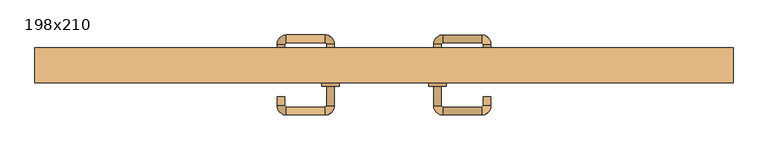
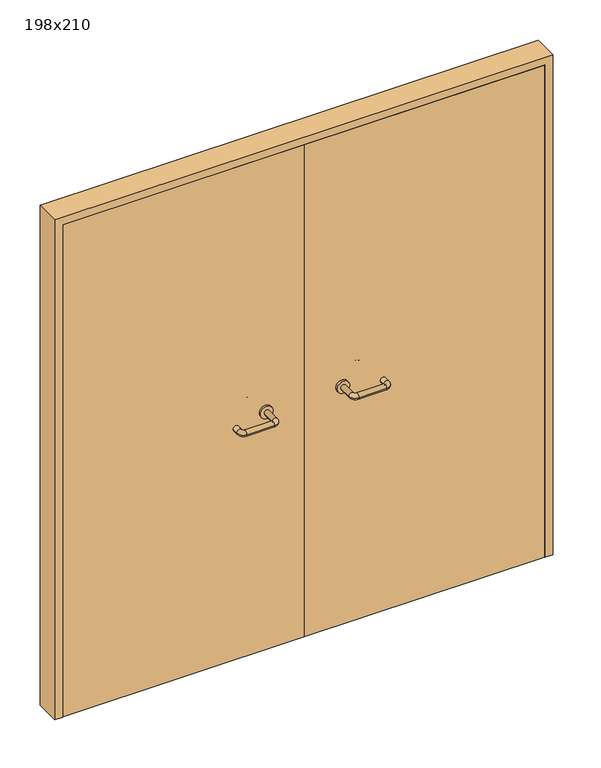
"""IFC4 building model written with IfcOpenShell, lengths in millimetres: door geometry, 198x210."""

from ifc_helpers import new_model, si_unit, point, frame, frame_2d, origin, place, context, project, spatial, polyline, circle_curve, ellipse_curve, trimmed, segment, composite_curve, outline, extrude, source, transform, mapped, element, save
from ifc_brep_helpers import plane_surface, cylinder_surface, revolved_surface, advanced_brep


def door_198x210_c7ab52ba(model_context):
    return source(origin(), model_context, "Body", "SolidModel", [
        extrude(outline(polyline([(2100.0, -990.0), (0.0, -990.0), (0.0, -958.0), (2068.0, -958.0), (2068.0, 958.0), (0.0, 958.0), (0.0, 990.0), (2100.0, 990.0), (2100.0, -990.0)])), frame((0.0, -200.0, 0.0), z_axis=(0.0, 1.0, 0.0), x_axis=(0.0, 0.0, 1.0)), (0.0, 0.0, 1.0), 100.0),
        advanced_brep(
        [(140.99898, -146.0, 1003.0), (162.99898, -146.0, 1003.0), (162.99898, -90.6474631, 1003.0), (140.99898, -90.6474631, 1003.0), (166.99898, -86.6474631, 1003.0), (166.99898, -64.6474631, 1003.0), (276.99898, -86.6474631, 1003.0), (276.99898, -64.6474631, 1003.0), (280.99898, -90.6474631, 1003.0), (302.99898, -90.6474631, 1003.0), (302.99898, -108.0, 1003.0), (280.99898, -108.0, 1003.0)],
        [
            (0, 1, circle_curve(frame((151.99898, -146.0, 1003.0), z_axis=(0.0, -1.0, 0.0), x_axis=(1.0, 0.0, 0.0)), 11.0)),
            (1, 0, circle_curve(frame((151.99898, -146.0, 1003.0), z_axis=(0.0, -1.0, 0.0), x_axis=(1.0, 0.0, 0.0)), 11.0)),
            (1, 2),
            (2, 3, circle_curve(frame((151.99898, -90.6474631, 1003.0), z_axis=(0.0, -1.0, 0.0), x_axis=(1.0, 0.0, 0.0)), 11.0)),
            (3, 0),
            (3, 2, circle_curve(frame((151.99898, -90.6474631, 1003.0), z_axis=(0.0, -1.0, 0.0), x_axis=(1.0, 0.0, 0.0)), 11.0)),
            (4, 5, circle_curve(frame((166.99898, -75.6474631, 1003.0), z_axis=(-1.0, 0.0, 0.0), x_axis=(0.0, -1.0, 0.0)), 11.0)),
            (5, 3, circle_curve(frame((166.99898, -90.6474631, 1003.0), z_axis=(0.0, 0.0, 1.0), x_axis=(-1.0, 0.0, 0.0)), 26.0)),
            (2, 4, circle_curve(frame((166.99898, -90.6474631, 1003.0), z_axis=(0.0, 0.0, -1.0), x_axis=(-1.0, 0.0, 0.0)), 4.0)),
            (5, 4, circle_curve(frame((166.99898, -75.6474631, 1003.0), z_axis=(-1.0, 0.0, 0.0), x_axis=(0.0, -1.0, 0.0)), 11.0)),
            (4, 6),
            (6, 7, circle_curve(frame((276.99898, -75.6474631, 1003.0), z_axis=(-1.0, 0.0, 0.0), x_axis=(0.0, -1.0, 0.0)), 11.0)),
            (7, 5),
            (7, 6, circle_curve(frame((276.99898, -75.6474631, 1003.0), z_axis=(-1.0, 0.0, 0.0), x_axis=(0.0, -1.0, 0.0)), 11.0)),
            (8, 9, circle_curve(frame((291.99898, -90.6474631, 1003.0), z_axis=(0.0, 1.0, 0.0), x_axis=(-1.0, 0.0, 0.0)), 11.0)),
            (9, 7, circle_curve(frame((276.99898, -90.6474631, 1003.0), z_axis=(0.0, 0.0, 1.0), x_axis=(0.0, 1.0, 0.0)), 26.0)),
            (6, 8, circle_curve(frame((276.99898, -90.6474631, 1003.0), z_axis=(0.0, 0.0, -1.0), x_axis=(0.0, 1.0, 0.0)), 4.0)),
            (9, 8, circle_curve(frame((291.99898, -90.6474631, 1003.0), z_axis=(0.0, 1.0, 0.0), x_axis=(-1.0, 0.0, 0.0)), 11.0)),
            (10, 11, circle_curve(frame((291.99898, -108.0, 1003.0), z_axis=(0.0, -1.0, 0.0), x_axis=(-1.0, 0.0, 0.0)), 11.0)),
            (11, 10, circle_curve(frame((291.99898, -108.0, 1003.0), z_axis=(0.0, -1.0, 0.0), x_axis=(-1.0, 0.0, 0.0)), 11.0)),
            (8, 11),
            (10, 9),
        ],
        [
            plane_surface(frame((140.99898, -146.0, 1003.0), z_axis=(0.0, -1.0, 0.0), x_axis=(0.0, 0.0, -1.0))),
            cylinder_surface(frame((151.99898, -146.0, 1003.0), z_axis=(0.0, -1.0, 0.0), x_axis=(1.0, 0.0, 0.0)), 11.0),
            revolved_surface(trimmed(ellipse_curve(frame((151.99898, -90.6474631, 1003.0), z_axis=(0.0, 1.0, 0.0), x_axis=(1.0, 0.0, 0.0)), 11.0, 11.0), [point((140.99898, -90.6474631, 1003.0))], [point((162.99898, -90.6474631, 1003.0))], True, "CARTESIAN"), (166.99898, -90.6474631, 1003.0), (0.0, 0.0, 1.0)),
            revolved_surface(trimmed(ellipse_curve(frame((151.99898, -90.6474631, 1003.0), z_axis=(0.0, 1.0, 0.0), x_axis=(1.0, 0.0, 0.0)), 11.0, 11.0), [point((162.99898, -90.6474631, 1003.0))], [point((140.99898, -90.6474631, 1003.0))], True, "CARTESIAN"), (166.99898, -90.6474631, 1003.0), (0.0, 0.0, 1.0)),
            cylinder_surface(frame((166.99898, -75.6474631, 1003.0), z_axis=(-1.0, 0.0, 0.0), x_axis=(0.0, -1.0, 0.0)), 11.0),
            revolved_surface(trimmed(ellipse_curve(frame((276.99898, -75.6474631, 1003.0), z_axis=(1.0, 0.0, 0.0), x_axis=(0.0, -1.0, 0.0)), 11.0, 11.0), [point((276.99898, -64.6474631, 1003.0))], [point((276.99898, -86.6474631, 1003.0))], True, "CARTESIAN"), (276.99898, -90.6474631, 1003.0), (0.0, 0.0, 1.0)),
            revolved_surface(trimmed(ellipse_curve(frame((276.99898, -75.6474631, 1003.0), z_axis=(1.0, 0.0, 0.0), x_axis=(0.0, -1.0, 0.0)), 11.0, 11.0), [point((276.99898, -86.6474631, 1003.0))], [point((276.99898, -64.6474631, 1003.0))], True, "CARTESIAN"), (276.99898, -90.6474631, 1003.0), (0.0, 0.0, 1.0)),
            plane_surface(frame((280.99898, -108.0, 1003.0), z_axis=(0.0, -1.0, 0.0), x_axis=(0.0, 0.0, 1.0))),
            cylinder_surface(frame((291.99898, -90.6474631, 1003.0), z_axis=(0.0, 1.0, 0.0), x_axis=(-1.0, 0.0, 0.0)), 11.0),
        ],
        [
            (0, [[1, 2]]),
            (1, [[3, 4, 5, -2]]),
            (1, [[-5, 6, -3, -1]]),
            (2, [[7, 8, -4, 9]]),
            (3, [[10, -9, -6, -8]]),
            (4, [[11, 12, 13, -7]]),
            (4, [[-13, 14, -11, -10]]),
            (5, [[15, 16, -12, 17]]),
            (6, [[18, -17, -14, -16]]),
            (7, [[19, 20]]),
            (8, [[21, -19, 22, -15]]),
            (8, [[-22, -20, -21, -18]]),
        ],
    ),
        extrude(outline(composite_curve([segment(trimmed(circle_curve(frame_2d((1003.0, 151.99898)), 25.0), [point((1003.0, 126.99898))], [point((1003.0, 176.99898))], False, "CARTESIAN"), True, "CONTINUOUS"), segment(trimmed(circle_curve(frame_2d((1003.0, 151.99898)), 25.0), [point((1003.0, 176.99898))], [point((1003.0, 126.99898))], False, "CARTESIAN"), True, "CONTINUOUS")], self_intersect=False)), frame((0.0, -156.0, 0.0), z_axis=(0.0, 1.0, 0.0), x_axis=(0.0, 0.0, 1.0)), (0.0, 0.0, 1.0), 10.0),
        advanced_brep(
        [(162.99898, -210.0, 1003.0), (140.99898, -210.0, 1003.0), (140.99898, -265.0, 1003.0), (162.99898, -265.0, 1003.0), (166.99898, -291.0, 1003.0), (166.99898, -269.0, 1003.0), (276.99898, -291.0, 1003.0), (276.99898, -269.0, 1003.0), (302.99898, -265.0, 1003.0), (280.99898, -265.0, 1003.0), (280.99898, -240.0, 1003.0), (302.99898, -240.0, 1003.0)],
        [
            (0, 1, circle_curve(frame((151.99898, -210.0, 1003.0), z_axis=(0.0, 1.0, 0.0), x_axis=(-1.0, 0.0, 0.0)), 11.0)),
            (1, 0, circle_curve(frame((151.99898, -210.0, 1003.0), z_axis=(0.0, 1.0, 0.0), x_axis=(-1.0, 0.0, 0.0)), 11.0)),
            (1, 2),
            (2, 3, circle_curve(frame((151.99898, -265.0, 1003.0), z_axis=(0.0, 1.0, 0.0), x_axis=(-1.0, 0.0, 0.0)), 11.0)),
            (3, 0),
            (3, 2, circle_curve(frame((151.99898, -265.0, 1003.0), z_axis=(0.0, 1.0, 0.0), x_axis=(-1.0, 0.0, 0.0)), 11.0)),
            (4, 5, circle_curve(frame((166.99898, -280.0, 1003.0), z_axis=(-1.0, 0.0, 0.0), x_axis=(0.0, -1.0, 0.0)), 11.0)),
            (5, 3, circle_curve(frame((166.99898, -265.0, 1003.0), z_axis=(0.0, 0.0, -1.0), x_axis=(-1.0, 0.0, 0.0)), 4.0)),
            (2, 4, circle_curve(frame((166.99898, -265.0, 1003.0), z_axis=(0.0, 0.0, 1.0), x_axis=(-1.0, 0.0, 0.0)), 26.0)),
            (5, 4, circle_curve(frame((166.99898, -280.0, 1003.0), z_axis=(-1.0, 0.0, 0.0), x_axis=(0.0, -1.0, 0.0)), 11.0)),
            (4, 6),
            (6, 7, circle_curve(frame((276.99898, -280.0, 1003.0), z_axis=(-1.0, 0.0, 0.0), x_axis=(0.0, -1.0, 0.0)), 11.0)),
            (7, 5),
            (7, 6, circle_curve(frame((276.99898, -280.0, 1003.0), z_axis=(-1.0, 0.0, 0.0), x_axis=(0.0, -1.0, 0.0)), 11.0)),
            (8, 9, circle_curve(frame((291.99898, -265.0, 1003.0), z_axis=(0.0, -1.0, 0.0), x_axis=(1.0, 0.0, 0.0)), 11.0)),
            (9, 7, circle_curve(frame((276.99898, -265.0, 1003.0), z_axis=(0.0, 0.0, -1.0), x_axis=(0.0, -1.0, 0.0)), 4.0)),
            (6, 8, circle_curve(frame((276.99898, -265.0, 1003.0), z_axis=(0.0, 0.0, 1.0), x_axis=(0.0, -1.0, 0.0)), 26.0)),
            (9, 8, circle_curve(frame((291.99898, -265.0, 1003.0), z_axis=(0.0, -1.0, 0.0), x_axis=(1.0, 0.0, 0.0)), 11.0)),
            (10, 11, circle_curve(frame((291.99898, -240.0, 1003.0), z_axis=(0.0, 1.0, 0.0), x_axis=(1.0, 0.0, 0.0)), 11.0)),
            (11, 10, circle_curve(frame((291.99898, -240.0, 1003.0), z_axis=(0.0, 1.0, 0.0), x_axis=(1.0, 0.0, 0.0)), 11.0)),
            (8, 11),
            (10, 9),
        ],
        [
            plane_surface(frame((140.99898, -210.0, 1003.0), z_axis=(0.0, 1.0, 0.0), x_axis=(0.0, 0.0, 1.0))),
            cylinder_surface(frame((151.99898, -210.0, 1003.0), z_axis=(0.0, 1.0, 0.0), x_axis=(-1.0, 0.0, 0.0)), 11.0),
            revolved_surface(trimmed(ellipse_curve(frame((151.99898, -265.0, 1003.0), z_axis=(0.0, -1.0, 0.0), x_axis=(-1.0, 0.0, 0.0)), 11.0, 11.0), [point((162.99898, -265.0, 1003.0))], [point((140.99898, -265.0, 1003.0))], True, "CARTESIAN"), (166.99898, -265.0, 1003.0), (0.0, 0.0, -1.0)),
            revolved_surface(trimmed(ellipse_curve(frame((151.99898, -265.0, 1003.0), z_axis=(0.0, -1.0, 0.0), x_axis=(-1.0, 0.0, 0.0)), 11.0, 11.0), [point((140.99898, -265.0, 1003.0))], [point((162.99898, -265.0, 1003.0))], True, "CARTESIAN"), (166.99898, -265.0, 1003.0), (0.0, 0.0, -1.0)),
            cylinder_surface(frame((166.99898, -280.0, 1003.0), z_axis=(-1.0, 0.0, 0.0), x_axis=(0.0, -1.0, 0.0)), 11.0),
            revolved_surface(trimmed(ellipse_curve(frame((276.99898, -280.0, 1003.0), z_axis=(1.0, 0.0, 0.0), x_axis=(0.0, -1.0, 0.0)), 11.0, 11.0), [point((276.99898, -269.0, 1003.0))], [point((276.99898, -291.0, 1003.0))], True, "CARTESIAN"), (276.99898, -265.0, 1003.0), (0.0, 0.0, -1.0)),
            revolved_surface(trimmed(ellipse_curve(frame((276.99898, -280.0, 1003.0), z_axis=(1.0, 0.0, 0.0), x_axis=(0.0, -1.0, 0.0)), 11.0, 11.0), [point((276.99898, -291.0, 1003.0))], [point((276.99898, -269.0, 1003.0))], True, "CARTESIAN"), (276.99898, -265.0, 1003.0), (0.0, 0.0, -1.0)),
            plane_surface(frame((280.99898, -240.0, 1003.0), z_axis=(0.0, 1.0, 0.0), x_axis=(0.0, 0.0, -1.0))),
            cylinder_surface(frame((291.99898, -265.0, 1003.0), z_axis=(0.0, -1.0, 0.0), x_axis=(1.0, 0.0, 0.0)), 11.0),
        ],
        [
            (0, [[1, 2]]),
            (1, [[3, 4, 5, -2]]),
            (1, [[-5, 6, -3, -1]]),
            (2, [[7, 8, -4, 9]]),
            (3, [[10, -9, -6, -8]]),
            (4, [[11, 12, 13, -7]]),
            (4, [[-13, 14, -11, -10]]),
            (5, [[15, 16, -12, 17]]),
            (6, [[18, -17, -14, -16]]),
            (7, [[19, 20]]),
            (8, [[21, -19, 22, -15]]),
            (8, [[-22, -20, -21, -18]]),
        ],
    ),
        extrude(outline(composite_curve([segment(trimmed(circle_curve(frame_2d((1003.0, 151.99898)), 25.0), [point((1003.0, 176.99898))], [point((1003.0, 126.99898))], False, "CARTESIAN"), True, "CONTINUOUS"), segment(trimmed(circle_curve(frame_2d((1003.0, 151.99898)), 25.0), [point((1003.0, 126.99898))], [point((1003.0, 176.99898))], False, "CARTESIAN"), True, "CONTINUOUS")], self_intersect=False)), frame((0.0, -210.0, 0.0), z_axis=(0.0, 1.0, 0.0), x_axis=(0.0, 0.0, 1.0)), (0.0, 0.0, 1.0), 10.0),
        advanced_brep(
        [(-162.99898, -145.6886121, 1003.0), (-140.99898, -145.6886121, 1003.0), (-140.99898, -90.2779553, 1003.0), (-162.99898, -90.2779553, 1003.0), (-166.99898, -64.2779553, 1003.0), (-166.99898, -86.2779553, 1003.0), (-276.99898, -64.2779553, 1003.0), (-276.99898, -86.2779553, 1003.0), (-302.99898, -90.2779553, 1003.0), (-280.99898, -90.2779553, 1003.0), (-280.99898, -115.2779553, 1003.0), (-302.99898, -115.2779553, 1003.0)],
        [
            (0, 1, circle_curve(frame((-151.99898, -145.6886121, 1003.0), z_axis=(0.0, -1.0, 0.0), x_axis=(1.0, 0.0, 0.0)), 11.0)),
            (1, 0, circle_curve(frame((-151.99898, -145.6886121, 1003.0), z_axis=(0.0, -1.0, 0.0), x_axis=(1.0, 0.0, 0.0)), 11.0)),
            (1, 2),
            (2, 3, circle_curve(frame((-151.99898, -90.2779553, 1003.0), z_axis=(0.0, -1.0, 0.0), x_axis=(1.0, 0.0, 0.0)), 11.0)),
            (3, 0),
            (3, 2, circle_curve(frame((-151.99898, -90.2779553, 1003.0), z_axis=(0.0, -1.0, 0.0), x_axis=(1.0, 0.0, 0.0)), 11.0)),
            (4, 5, circle_curve(frame((-166.99898, -75.2779553, 1003.0), z_axis=(1.0, 0.0, 0.0), x_axis=(0.0, 1.0, 0.0)), 11.0)),
            (5, 3, circle_curve(frame((-166.99898, -90.2779553, 1003.0), z_axis=(0.0, 0.0, -1.0), x_axis=(1.0, 0.0, 0.0)), 4.0)),
            (2, 4, circle_curve(frame((-166.99898, -90.2779553, 1003.0), z_axis=(0.0, 0.0, 1.0), x_axis=(1.0, 0.0, 0.0)), 26.0)),
            (5, 4, circle_curve(frame((-166.99898, -75.2779553, 1003.0), z_axis=(1.0, 0.0, 0.0), x_axis=(0.0, 1.0, 0.0)), 11.0)),
            (4, 6),
            (6, 7, circle_curve(frame((-276.99898, -75.2779553, 1003.0), z_axis=(1.0, 0.0, 0.0), x_axis=(0.0, 1.0, 0.0)), 11.0)),
            (7, 5),
            (7, 6, circle_curve(frame((-276.99898, -75.2779553, 1003.0), z_axis=(1.0, 0.0, 0.0), x_axis=(0.0, 1.0, 0.0)), 11.0)),
            (8, 9, circle_curve(frame((-291.99898, -90.2779553, 1003.0), z_axis=(0.0, 1.0, 0.0), x_axis=(-1.0, 0.0, 0.0)), 11.0)),
            (9, 7, circle_curve(frame((-276.99898, -90.2779553, 1003.0), z_axis=(0.0, 0.0, -1.0), x_axis=(0.0, 1.0, 0.0)), 4.0)),
            (6, 8, circle_curve(frame((-276.99898, -90.2779553, 1003.0), z_axis=(0.0, 0.0, 1.0), x_axis=(0.0, 1.0, 0.0)), 26.0)),
            (9, 8, circle_curve(frame((-291.99898, -90.2779553, 1003.0), z_axis=(0.0, 1.0, 0.0), x_axis=(-1.0, 0.0, 0.0)), 11.0)),
            (10, 11, circle_curve(frame((-291.99898, -115.2779553, 1003.0), z_axis=(0.0, -1.0, 0.0), x_axis=(-1.0, 0.0, 0.0)), 11.0)),
            (11, 10, circle_curve(frame((-291.99898, -115.2779553, 1003.0), z_axis=(0.0, -1.0, 0.0), x_axis=(-1.0, 0.0, 0.0)), 11.0)),
            (8, 11),
            (10, 9),
        ],
        [
            plane_surface(frame((-162.99898, -145.6886121, 1003.0), z_axis=(0.0, -1.0, 0.0), x_axis=(0.0, 0.0, -1.0))),
            cylinder_surface(frame((-151.99898, -145.6886121, 1003.0), z_axis=(0.0, -1.0, 0.0), x_axis=(1.0, 0.0, 0.0)), 11.0),
            revolved_surface(trimmed(ellipse_curve(frame((-151.99898, -90.2779553, 1003.0), z_axis=(0.0, 1.0, 0.0), x_axis=(1.0, 0.0, 0.0)), 11.0, 11.0), [point((-162.99898, -90.2779553, 1003.0))], [point((-140.99898, -90.2779553, 1003.0))], True, "CARTESIAN"), (-166.99898, -90.2779553, 1003.0), (0.0, 0.0, -1.0)),
            revolved_surface(trimmed(ellipse_curve(frame((-151.99898, -90.2779553, 1003.0), z_axis=(0.0, 1.0, 0.0), x_axis=(1.0, 0.0, 0.0)), 11.0, 11.0), [point((-140.99898, -90.2779553, 1003.0))], [point((-162.99898, -90.2779553, 1003.0))], True, "CARTESIAN"), (-166.99898, -90.2779553, 1003.0), (0.0, 0.0, -1.0)),
            cylinder_surface(frame((-166.99898, -75.2779553, 1003.0), z_axis=(1.0, 0.0, 0.0), x_axis=(0.0, 1.0, 0.0)), 11.0),
            revolved_surface(trimmed(ellipse_curve(frame((-276.99898, -75.2779553, 1003.0), z_axis=(-1.0, 0.0, 0.0), x_axis=(0.0, 1.0, 0.0)), 11.0, 11.0), [point((-276.99898, -86.2779553, 1003.0))], [point((-276.99898, -64.2779553, 1003.0))], True, "CARTESIAN"), (-276.99898, -90.2779553, 1003.0), (0.0, 0.0, -1.0)),
            revolved_surface(trimmed(ellipse_curve(frame((-276.99898, -75.2779553, 1003.0), z_axis=(-1.0, 0.0, 0.0), x_axis=(0.0, 1.0, 0.0)), 11.0, 11.0), [point((-276.99898, -64.2779553, 1003.0))], [point((-276.99898, -86.2779553, 1003.0))], True, "CARTESIAN"), (-276.99898, -90.2779553, 1003.0), (0.0, 0.0, -1.0)),
            plane_surface(frame((-302.99898, -115.2779553, 1003.0), z_axis=(0.0, -1.0, 0.0), x_axis=(0.0, 0.0, 1.0))),
            cylinder_surface(frame((-291.99898, -90.2779553, 1003.0), z_axis=(0.0, 1.0, 0.0), x_axis=(-1.0, 0.0, 0.0)), 11.0),
        ],
        [
            (0, [[1, 2]]),
            (1, [[3, 4, 5, -2]]),
            (1, [[-5, 6, -3, -1]]),
            (2, [[7, 8, -4, 9]]),
            (3, [[10, -9, -6, -8]]),
            (4, [[11, 12, 13, -7]]),
            (4, [[-13, 14, -11, -10]]),
            (5, [[15, 16, -12, 17]]),
            (6, [[18, -17, -14, -16]]),
            (7, [[19, 20]]),
            (8, [[21, -19, 22, -15]]),
            (8, [[-22, -20, -21, -18]]),
        ],
    ),
        extrude(outline(composite_curve([segment(trimmed(circle_curve(frame_2d((1003.0, -151.99898)), 25.0), [point((1003.0, -176.99898))], [point((1003.0, -126.99898))], False, "CARTESIAN"), True, "CONTINUOUS"), segment(trimmed(circle_curve(frame_2d((1003.0, -151.99898)), 25.0), [point((1003.0, -126.99898))], [point((1003.0, -176.99898))], False, "CARTESIAN"), True, "CONTINUOUS")], self_intersect=False)), frame((0.0, -156.0, 0.0), z_axis=(0.0, 1.0, 0.0), x_axis=(0.0, 0.0, 1.0)), (0.0, 0.0, 1.0), 10.3113879),
        advanced_brep(
        [(-140.99898, -209.5143417, 1003.0), (-162.99898, -209.5143417, 1003.0), (-162.99898, -264.6104656, 1003.0), (-140.99898, -264.6104656, 1003.0), (-166.99898, -268.6104656, 1003.0), (-166.99898, -290.6104656, 1003.0), (-276.99898, -268.6104656, 1003.0), (-276.99898, -290.6104656, 1003.0), (-280.99898, -264.6104656, 1003.0), (-302.99898, -264.6104656, 1003.0), (-302.99898, -239.6104656, 1003.0), (-280.99898, -239.6104656, 1003.0)],
        [
            (0, 1, circle_curve(frame((-151.99898, -209.5143417, 1003.0), z_axis=(0.0, 1.0, 0.0), x_axis=(-1.0, 0.0, 0.0)), 11.0)),
            (1, 0, circle_curve(frame((-151.99898, -209.5143417, 1003.0), z_axis=(0.0, 1.0, 0.0), x_axis=(-1.0, 0.0, 0.0)), 11.0)),
            (1, 2),
            (2, 3, circle_curve(frame((-151.99898, -264.6104656, 1003.0), z_axis=(0.0, 1.0, 0.0), x_axis=(-1.0, 0.0, 0.0)), 11.0)),
            (3, 0),
            (3, 2, circle_curve(frame((-151.99898, -264.6104656, 1003.0), z_axis=(0.0, 1.0, 0.0), x_axis=(-1.0, 0.0, 0.0)), 11.0)),
            (4, 5, circle_curve(frame((-166.99898, -279.6104656, 1003.0), z_axis=(1.0, 0.0, 0.0), x_axis=(0.0, 1.0, 0.0)), 11.0)),
            (5, 3, circle_curve(frame((-166.99898, -264.6104656, 1003.0), z_axis=(0.0, 0.0, 1.0), x_axis=(1.0, 0.0, 0.0)), 26.0)),
            (2, 4, circle_curve(frame((-166.99898, -264.6104656, 1003.0), z_axis=(0.0, 0.0, -1.0), x_axis=(1.0, 0.0, 0.0)), 4.0)),
            (5, 4, circle_curve(frame((-166.99898, -279.6104656, 1003.0), z_axis=(1.0, 0.0, 0.0), x_axis=(0.0, 1.0, 0.0)), 11.0)),
            (4, 6),
            (6, 7, circle_curve(frame((-276.99898, -279.6104656, 1003.0), z_axis=(1.0, 0.0, 0.0), x_axis=(0.0, 1.0, 0.0)), 11.0)),
            (7, 5),
            (7, 6, circle_curve(frame((-276.99898, -279.6104656, 1003.0), z_axis=(1.0, 0.0, 0.0), x_axis=(0.0, 1.0, 0.0)), 11.0)),
            (8, 9, circle_curve(frame((-291.99898, -264.6104656, 1003.0), z_axis=(0.0, -1.0, 0.0), x_axis=(1.0, 0.0, 0.0)), 11.0)),
            (9, 7, circle_curve(frame((-276.99898, -264.6104656, 1003.0), z_axis=(0.0, 0.0, 1.0), x_axis=(0.0, -1.0, 0.0)), 26.0)),
            (6, 8, circle_curve(frame((-276.99898, -264.6104656, 1003.0), z_axis=(0.0, 0.0, -1.0), x_axis=(0.0, -1.0, 0.0)), 4.0)),
            (9, 8, circle_curve(frame((-291.99898, -264.6104656, 1003.0), z_axis=(0.0, -1.0, 0.0), x_axis=(1.0, 0.0, 0.0)), 11.0)),
            (10, 11, circle_curve(frame((-291.99898, -239.6104656, 1003.0), z_axis=(0.0, 1.0, 0.0), x_axis=(1.0, 0.0, 0.0)), 11.0)),
            (11, 10, circle_curve(frame((-291.99898, -239.6104656, 1003.0), z_axis=(0.0, 1.0, 0.0), x_axis=(1.0, 0.0, 0.0)), 11.0)),
            (8, 11),
            (10, 9),
        ],
        [
            plane_surface(frame((-162.99898, -209.5143417, 1003.0), z_axis=(0.0, 1.0, 0.0), x_axis=(0.0, 0.0, 1.0))),
            cylinder_surface(frame((-151.99898, -209.5143417, 1003.0), z_axis=(0.0, 1.0, 0.0), x_axis=(-1.0, 0.0, 0.0)), 11.0),
            revolved_surface(trimmed(ellipse_curve(frame((-151.99898, -264.6104656, 1003.0), z_axis=(0.0, -1.0, 0.0), x_axis=(-1.0, 0.0, 0.0)), 11.0, 11.0), [point((-140.99898, -264.6104656, 1003.0))], [point((-162.99898, -264.6104656, 1003.0))], True, "CARTESIAN"), (-166.99898, -264.6104656, 1003.0), (0.0, 0.0, 1.0)),
            revolved_surface(trimmed(ellipse_curve(frame((-151.99898, -264.6104656, 1003.0), z_axis=(0.0, -1.0, 0.0), x_axis=(-1.0, 0.0, 0.0)), 11.0, 11.0), [point((-162.99898, -264.6104656, 1003.0))], [point((-140.99898, -264.6104656, 1003.0))], True, "CARTESIAN"), (-166.99898, -264.6104656, 1003.0), (0.0, 0.0, 1.0)),
            cylinder_surface(frame((-166.99898, -279.6104656, 1003.0), z_axis=(1.0, 0.0, 0.0), x_axis=(0.0, 1.0, 0.0)), 11.0),
            revolved_surface(trimmed(ellipse_curve(frame((-276.99898, -279.6104656, 1003.0), z_axis=(-1.0, 0.0, 0.0), x_axis=(0.0, 1.0, 0.0)), 11.0, 11.0), [point((-276.99898, -290.6104656, 1003.0))], [point((-276.99898, -268.6104656, 1003.0))], True, "CARTESIAN"), (-276.99898, -264.6104656, 1003.0), (0.0, 0.0, 1.0)),
            revolved_surface(trimmed(ellipse_curve(frame((-276.99898, -279.6104656, 1003.0), z_axis=(-1.0, 0.0, 0.0), x_axis=(0.0, 1.0, 0.0)), 11.0, 11.0), [point((-276.99898, -268.6104656, 1003.0))], [point((-276.99898, -290.6104656, 1003.0))], True, "CARTESIAN"), (-276.99898, -264.6104656, 1003.0), (0.0, 0.0, 1.0)),
            plane_surface(frame((-302.99898, -239.6104656, 1003.0), z_axis=(0.0, 1.0, 0.0), x_axis=(0.0, 0.0, -1.0))),
            cylinder_surface(frame((-291.99898, -264.6104656, 1003.0), z_axis=(0.0, -1.0, 0.0), x_axis=(1.0, 0.0, 0.0)), 11.0),
        ],
        [
            (0, [[1, 2]]),
            (1, [[3, 4, 5, -2]]),
            (1, [[-5, 6, -3, -1]]),
            (2, [[7, 8, -4, 9]]),
            (3, [[10, -9, -6, -8]]),
            (4, [[11, 12, 13, -7]]),
            (4, [[-13, 14, -11, -10]]),
            (5, [[15, 16, -12, 17]]),
            (6, [[18, -17, -14, -16]]),
            (7, [[19, 20]]),
            (8, [[21, -19, 22, -15]]),
            (8, [[-22, -20, -21, -18]]),
        ],
    ),
        extrude(outline(composite_curve([segment(trimmed(circle_curve(frame_2d((1003.0, -151.99898)), 25.0), [point((1003.0, -126.99898))], [point((1003.0, -176.99898))], False, "CARTESIAN"), True, "CONTINUOUS"), segment(trimmed(circle_curve(frame_2d((1003.0, -151.99898)), 25.0), [point((1003.0, -176.99898))], [point((1003.0, -126.99898))], False, "CARTESIAN"), True, "CONTINUOUS")], self_intersect=False)), frame((0.0, -209.5143417, 0.0), z_axis=(0.0, 1.0, 0.0), x_axis=(0.0, 0.0, 1.0)), (0.0, 0.0, 1.0), 9.5143417),
        extrude(outline(polyline([(1.0739506, -156.0), (1.0739506, -200.0), (-955.0, -200.0), (-955.0, -156.0), (1.0739506, -156.0)])), frame((0.0, 0.0, 1.753223), z_axis=(0.0, 0.0, 1.0), x_axis=(1.0, 0.0, 0.0)), (0.0, 0.0, 1.0), 2066.246777),
        extrude(outline(polyline([(955.0, -156.0), (955.0, -200.0), (1.0739506, -200.0), (1.0739506, -156.0), (955.0, -156.0)])), frame((0.0, 0.0, 1.753223), z_axis=(0.0, 0.0, 1.0), x_axis=(1.0, 0.0, 0.0)), (0.0, 0.0, 1.0), 2066.246777),
    ])


if __name__ == "__main__":
    model = new_model("IFC4")
    model_context = context("Model", 3, world=origin())
    ifc_project = project(units=[si_unit("LENGTHUNIT", "METRE", prefix="MILLI")], contexts=[model_context])
    site = spatial("IfcSite", under=ifc_project)
    building = spatial("IfcBuilding", under=site)
    placement = place(None, origin())
    door_198x210_shape = door_198x210_c7ab52ba(model_context)
    element("IfcDoor", 1, ObjectType="198x210", at=placement, inside=building, context=model_context, shape_type="MappedRepresentation", body=[
        mapped(door_198x210_shape, transform((0.0, 0.0, 0.0), x_axis=(1.0, 0.0, 0.0), y_axis=(0.0, 1.0, 0.0), z_axis=(0.0, 0.0, 1.0))),
    ])
    save(model, "model.ifc")
